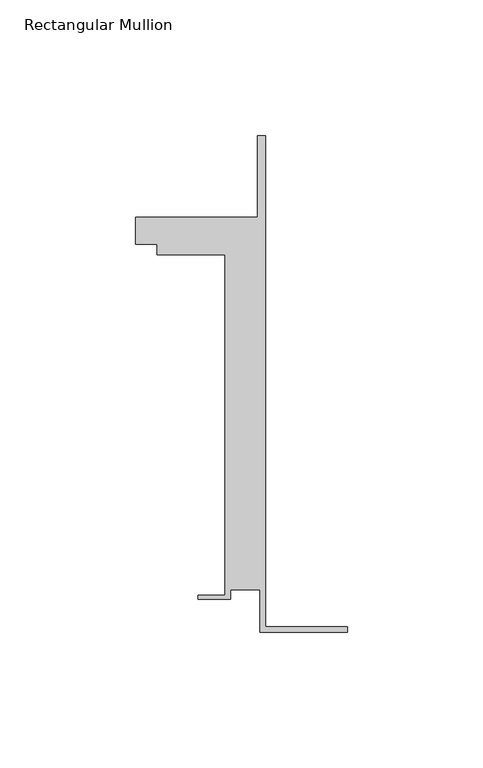
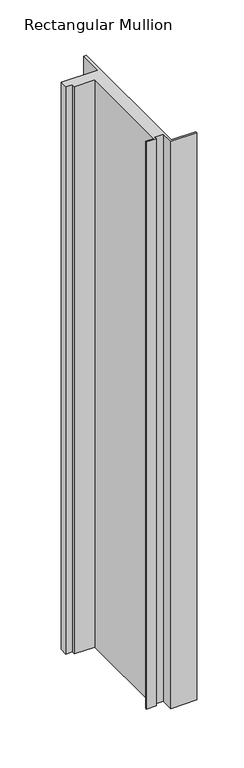
"""IFC4 building model written with IfcOpenShell, lengths in millimetres: member geometry, Rectangular Mullion."""

from ifc_helpers import new_model, si_unit, frame, origin, place, context, project, spatial, polyline, outline, extrude, source, transform, mapped, element, save


def rectangular_mullion_bd9fe317(model_context):
    return source(origin(), model_context, "Body", "SweptSolid", [
        extrude(outline(polyline([(-32.1465839, -41.25), (-32.1465839, -25.75), (-43.1465839, -25.75), (-43.1465839, -29.25), (-55.1465839, -29.25), (-55.1465839, -27.75), (-45.1465839, -27.75), (-45.1465839, 97.75), (-70.1466122, 97.75), (-70.1466122, 101.75), (-78.1466122, 101.75), (-78.1466122, 111.75), (-33.1466122, 111.75), (-33.1466122, 141.75), (-30.1465839, 141.75), (-30.1465839, -39.25), (0.0, -39.25), (0.0, -41.25), (-32.1465839, -41.25)])), frame((0.0, 0.0, -735.6223392), z_axis=(0.0, 0.0, 1.0), x_axis=(1.0, 0.0, 0.0)), (0.0, 0.0, 1.0), 735.6223392),
    ])


if __name__ == "__main__":
    model = new_model("IFC4")
    model_context = context("Model", 3, world=origin())
    ifc_project = project(units=[si_unit("LENGTHUNIT", "METRE", prefix="MILLI")], contexts=[model_context])
    site = spatial("IfcSite", under=ifc_project)
    building = spatial("IfcBuilding", under=site)
    placement = place(None, origin())
    rectangular_mullion_shape = rectangular_mullion_bd9fe317(model_context)
    element("IfcMember", 1, ObjectType="Rectangular Mullion", at=placement, inside=building, context=model_context, shape_type="MappedRepresentation", body=[
        mapped(rectangular_mullion_shape, transform((0.0, 0.0, 0.0), x_axis=(1.0, 0.0, 0.0), y_axis=(0.0, 1.0, 0.0), z_axis=(0.0, 0.0, 1.0))),
    ])
    save(model, "model.ifc")
